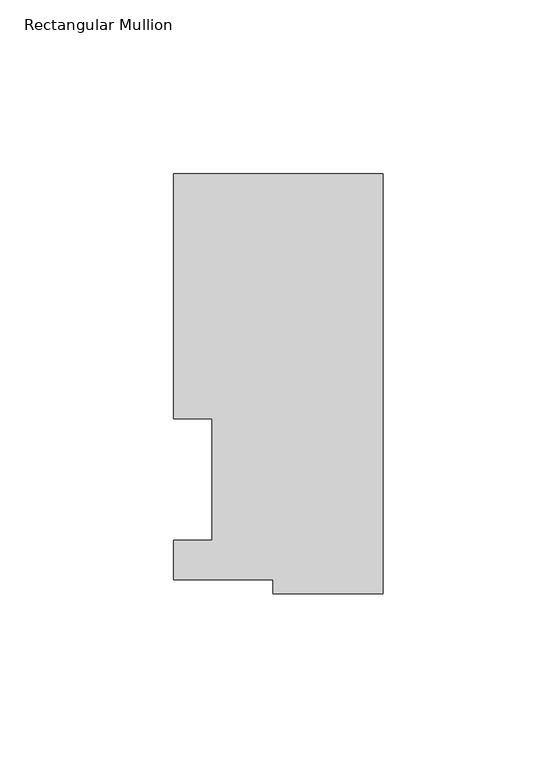
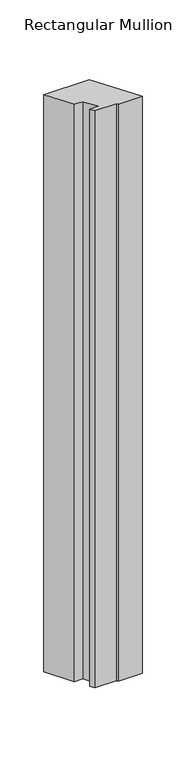
"""IFC4 building model written with IfcOpenShell, lengths in millimetres: member geometry, Rectangular Mullion."""

from ifc_helpers import new_model, si_unit, origin, place, context, project, spatial, faceted_brep, source, transform, mapped, element, save


def rectangular_mullion_ceec3b30(model_context):
    return source(origin(), model_context, "Body", "Brep", [
        faceted_brep([(-60.325, 47.0517878, -19.4894886), (-60.325, 117.4859878, -48.6642895), (-60.325, 117.4859878, -854.72915), (-60.325, 47.0517878, -825.5543492), (-49.2252, 47.0517878, -19.4894886), (-49.2252, 47.0517878, -825.5543492), (-49.2252, 12.1267878, -5.02308), (-49.2252, 12.1267878, -811.0879405), (-60.325, 12.1267878, -5.02308), (-60.325, 12.1267878, -811.0879405), (-60.325, 0.7221701, -0.2991326), (-60.325, 0.7221701, -806.3639932), (-31.75, 0.7221701, -0.2991326), (-31.75, 0.7221701, -806.3639932), (-31.75, -3.3164122, 1.3737029), (-31.75, -3.3164122, -804.6911576), (0.0, -3.3164122, 1.3737029), (0.0, -3.3164122, -804.6911576), (0.0, 117.4859878, -48.6642895), (0.0, 117.4859878, -854.72915)], [[[0, 1, 2, 3]], [[4, 0, 3, 5]], [[6, 4, 5, 7]], [[8, 6, 7, 9]], [[10, 8, 9, 11]], [[12, 10, 11, 13]], [[14, 12, 13, 15]], [[16, 14, 15, 17]], [[18, 16, 17, 19]], [[1, 18, 19, 2]], [[1, 0, 4, 6, 8, 10, 12, 14, 16, 18]], [[2, 19, 17, 15, 13, 11, 9, 7, 5, 3]]]),
    ])


if __name__ == "__main__":
    model = new_model("IFC4")
    model_context = context("Model", 3, world=origin())
    ifc_project = project(units=[si_unit("LENGTHUNIT", "METRE", prefix="MILLI")], contexts=[model_context])
    site = spatial("IfcSite", under=ifc_project)
    building = spatial("IfcBuilding", under=site)
    placement = place(None, origin())
    rectangular_mullion_shape = rectangular_mullion_ceec3b30(model_context)
    element("IfcMember", 1, ObjectType="Rectangular Mullion", at=placement, inside=building, context=model_context, shape_type="MappedRepresentation", body=[
        mapped(rectangular_mullion_shape, transform((0.0, 0.0, 0.0), x_axis=(1.0, 0.0, 0.0), y_axis=(0.0, 1.0, 0.0), z_axis=(0.0, 0.0, 1.0))),
    ])
    save(model, "model.ifc")
